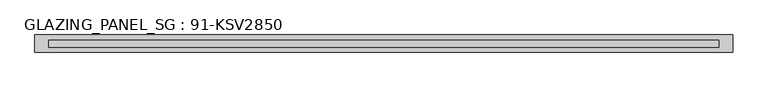
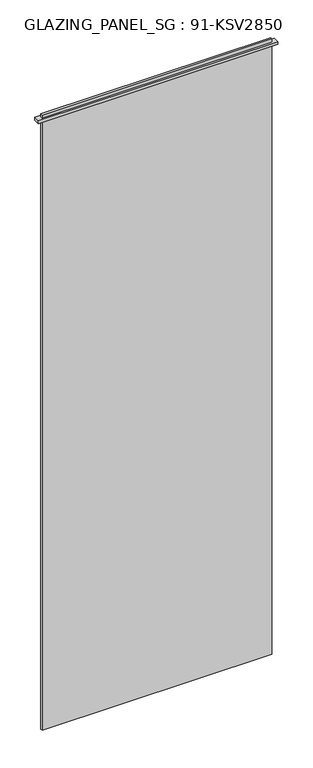
"""IFC4 building model written with IfcOpenShell, lengths in millimetres: plate geometry, GLAZING_PANEL_SG : 91-KSV2850."""

from ifc_helpers import new_model, si_unit, frame, origin, place, context, project, spatial, polyline, outline, extrude, source, transform, mapped, element, save


def glazing_panel_sg_91_ksv2850_86affa9c(model_context):
    return source(origin(), model_context, "Body", "SweptSolid", [
        extrude(outline(polyline([(480.0, -5.0), (-480.0, -5.0), (-480.0, 5.0), (480.0, 5.0), (480.0, -5.0)])), frame((0.0, 0.0, 30.0), z_axis=(0.0, 0.0, 1.0), x_axis=(1.0, 0.0, 0.0)), (0.0, 0.0, 1.0), 2718.0),
        extrude(outline(polyline([(500.0, 12.5), (500.0, -12.5), (-500.0, -12.5), (-500.0, 12.5), (500.0, 12.5)])), frame((0.0, 0.0, 2722.0), z_axis=(0.0, 0.0, 1.0), x_axis=(1.0, 0.0, 0.0)), (0.0, 0.0, 1.0), 12.0),
    ])


if __name__ == "__main__":
    model = new_model("IFC4")
    model_context = context("Model", 3, world=origin())
    ifc_project = project(units=[si_unit("LENGTHUNIT", "METRE", prefix="MILLI")], contexts=[model_context])
    site = spatial("IfcSite", under=ifc_project)
    building = spatial("IfcBuilding", under=site)
    placement = place(None, origin())
    glazing_panel_sg_91_ksv2850_shape = glazing_panel_sg_91_ksv2850_86affa9c(model_context)
    element("IfcPlate", 1, ObjectType="GLAZING_PANEL_SG : 91-KSV2850", at=placement, inside=building, context=model_context, shape_type="MappedRepresentation", body=[
        mapped(glazing_panel_sg_91_ksv2850_shape, transform((0.0, 0.0, 0.0), x_axis=(1.0, 0.0, 0.0), y_axis=(0.0, 1.0, 0.0), z_axis=(0.0, 0.0, 1.0))),
    ])
    save(model, "model.ifc")
